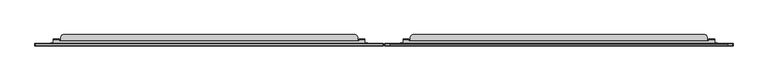
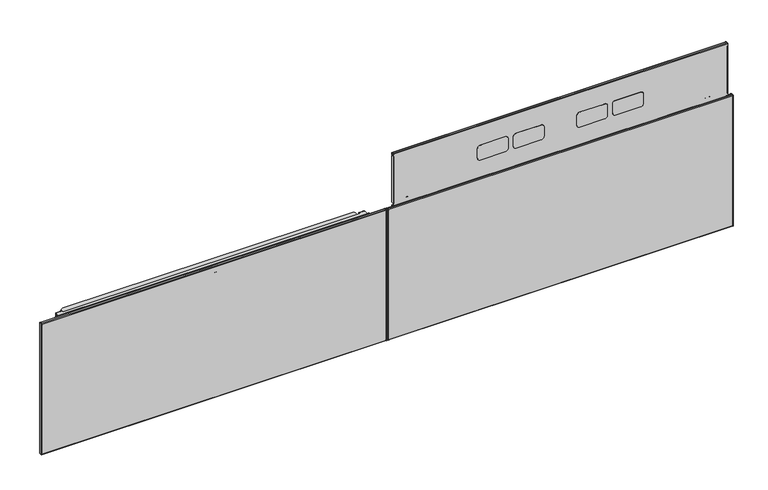
"""IFC4 building model written with IfcOpenShell, lengths in millimetres: furniture geometry."""

from ifc_helpers import new_model, si_unit, point, frame, frame_2d, origin, place, context, project, spatial, polyline, circle_curve, trimmed, segment, composite_curve, outline, extrude, source, transform, mapped, element, save
from ifc_brep_helpers import plane_surface, cylinder_surface, revolved_surface, advanced_brep


def furniture_ecbc6303(model_context):
    return source(origin(), model_context, "Body", "SolidModel", [
        extrude(outline(polyline([(1847.6214166, -3.2751401), (1841.7540058, -3.2751401), (1840.9919884, -3.4793172), (1840.4341736, -4.0371399), (1840.2300073, -4.7991398), (1840.2300073, -6.1239397), (1839.8250538, -7.6352397), (1838.7186896, -8.7415885), (1837.2074083, -9.1465398), (1820.4082399, -9.1465398), (1818.8969586, -8.7415885), (1817.7905945, -7.6352397), (1817.385641, -6.1239397), (1817.385641, -4.7991398), (1817.1814747, -4.0371399), (1816.6236599, -3.4793172), (1815.8616425, -3.2751401), (1809.9942317, -3.2751401), (1809.9942317, -1.77654), (1815.8616425, -1.77654), (1817.3729601, -2.1814916), (1818.4792879, -3.28784), (1818.8842414, -4.7991398), (1818.8842414, -6.1239397), (1819.0884077, -6.8859401), (1819.6462588, -7.4437628), (1820.4082399, -7.6479399), (1837.2074083, -7.6479399), (1837.9693894, -7.4437628), (1838.5272406, -6.8859401), (1838.7314069, -6.1239397), (1838.7314069, -4.7991398), (1839.1363604, -3.28784), (1840.2426882, -2.1814916), (1841.7540058, -1.77654), (1847.6214166, -1.77654), (1847.6214166, -3.2751401)])), frame((0.0, 0.0, 13.511849), z_axis=(0.0, 0.0, 1.0), x_axis=(1.0, 0.0, 0.0)), (0.0, 0.0, 1.0), 465.0000042),
        extrude(outline(composite_curve([segment(polyline([(-2.8205708, 12.9809891), (-10.0583999, 12.9809891), (-10.0583999, 500.6190067), (-2.6612792, 500.6190067)]), True, "CONTINUOUS"), segment(trimmed(circle_curve(frame_2d((-2.6612792, 498.4911276)), 2.1278792), [point((-2.6612792, 500.6190067))], [point((-0.5334, 498.4911276))], False, "CARTESIAN"), True, "CONTINUOUS"), segment(polyline([(-0.5334, 498.4911276), (-0.5334, 15.2681599)]), True, "CONTINUOUS"), segment(trimmed(circle_curve(frame_2d((-2.8205708, 15.2681599)), 2.2871708), [point((-0.5334, 15.2681599))], [point((-2.8205708, 12.9809891))], False, "CARTESIAN"), True, "CONTINUOUS")], self_intersect=False)), frame((1221.2000233, 0.0, 0.0), z_axis=(1.0, 0.0, 0.0), x_axis=(0.0, 1.0, 0.0)), (0.0, 0.0, 1.0), 0.9274807),
        extrude(outline(composite_curve([segment(polyline([(-2.8205708, 12.9809891), (-10.0583999, 12.9809891), (-10.0583999, 500.6190067), (-2.6612792, 500.6190067)]), True, "CONTINUOUS"), segment(trimmed(circle_curve(frame_2d((-2.6612792, 498.4911276)), 2.1278792), [point((-2.6612792, 500.6190067))], [point((-0.5334, 498.4911276))], False, "CARTESIAN"), True, "CONTINUOUS"), segment(polyline([(-0.5334, 498.4911276), (-0.5334, 15.2681599)]), True, "CONTINUOUS"), segment(trimmed(circle_curve(frame_2d((-2.8205708, 15.2681599)), 2.2871708), [point((-0.5334, 15.2681599))], [point((-2.8205708, 12.9809891))], False, "CARTESIAN"), True, "CONTINUOUS")], self_intersect=False)), frame((2435.4881443, 0.0, 0.0), z_axis=(1.0, 0.0, 0.0), x_axis=(0.0, 1.0, 0.0)), (0.0, 0.0, 1.0), 0.9118601),
        extrude(outline(polyline([(76.8619872, 1222.127504), (76.8619872, 1234.249019), (156.5539797, 1234.249019), (156.5539797, 1228.6600188), (207.099986, 1228.6600188), (207.099986, 1234.249019), (437.5000033, 1234.249019), (437.5000033, 1222.127504), (76.8619872, 1222.127504)])), frame((0.0, -1.62433, 0.0), z_axis=(0.0, 1.0, 0.0), x_axis=(0.0, 0.0, 1.0)), (0.0, 0.0, 1.0), 0.7986162),
        extrude(outline(polyline([(76.8619872, 2435.4881443), (437.5000033, 2435.4881443), (437.5000033, 2425.3510043), (207.099986, 2425.3510043), (207.099986, 2430.9400044), (156.5539797, 2430.9400044), (156.5539797, 2425.3510043), (76.8619872, 2425.3510043), (76.8619872, 2435.4881443)])), frame((0.0, -1.62433, 0.0), z_axis=(0.0, 1.0, 0.0), x_axis=(0.0, 0.0, 1.0)), (0.0, 0.0, 1.0), 0.7986162),
        extrude(outline(composite_curve([segment(trimmed(circle_curve(frame_2d((-2.8131195, 498.7202595)), 2.2797196), [point((-2.8131195, 500.9999791))], [point((-0.5334, 498.7202595))], False, "CARTESIAN"), True, "CONTINUOUS"), segment(polyline([(-0.5334, 498.7202595), (-0.5334, 486.0902061), (-1.44526, 486.0902061), (-1.44526, 498.7756083)]), True, "CONTINUOUS"), segment(trimmed(circle_curve(frame_2d((-2.7577679, 498.7756083)), 1.3125079), [point((-1.44526, 498.7756083))], [point((-2.7577679, 500.0881162))], True, "CARTESIAN"), True, "CONTINUOUS"), segment(polyline([(-2.7577679, 500.0881162), (-7.8778208, 500.0881162)]), True, "CONTINUOUS"), segment(trimmed(circle_curve(frame_2d((-7.8778208, 498.8193972)), 1.2687189), [point((-7.8778208, 500.0881162))], [point((-9.1465398, 498.8193972))], True, "CARTESIAN"), True, "CONTINUOUS"), segment(polyline([(-9.1465398, 498.8193972), (-9.1465398, 14.9389212)]), True, "CONTINUOUS"), segment(trimmed(circle_curve(frame_2d((-7.7194675, 14.9389212)), 1.4270722), [point((-9.1465398, 14.9389212))], [point((-7.7194675, 13.511849))], True, "CARTESIAN"), True, "CONTINUOUS"), segment(polyline([(-7.7194675, 13.511849), (-2.7776146, 13.511849)]), True, "CONTINUOUS"), segment(trimmed(circle_curve(frame_2d((-2.7776146, 14.8442036)), 1.3323546), [point((-2.7776146, 13.511849))], [point((-1.44526, 14.8442036))], True, "CARTESIAN"), True, "CONTINUOUS"), segment(polyline([(-1.44526, 14.8442036), (-1.44526, 24.5989482), (-0.5334, 24.5989482), (-0.5334, 14.8055187)]), True, "CONTINUOUS"), segment(trimmed(circle_curve(frame_2d((-2.7389292, 14.8055187)), 2.2055292), [point((-0.5334, 14.8055187))], [point((-2.7389292, 12.5999894))], False, "CARTESIAN"), True, "CONTINUOUS"), segment(polyline([(-2.7389292, 12.5999894), (-7.949738, 12.5999894)]), True, "CONTINUOUS"), segment(trimmed(circle_curve(frame_2d((-7.949738, 14.7086513)), 2.1086618), [point((-7.949738, 12.5999894))], [point((-10.0583999, 14.7086513))], False, "CARTESIAN"), True, "CONTINUOUS"), segment(polyline([(-10.0583999, 14.7086513), (-10.0583999, 498.8134963)]), True, "CONTINUOUS"), segment(trimmed(circle_curve(frame_2d((-7.8719171, 498.8134963)), 2.1864828), [point((-10.0583999, 498.8134963))], [point((-7.8719171, 500.9999791))], False, "CARTESIAN"), True, "CONTINUOUS"), segment(polyline([(-7.8719171, 500.9999791), (-2.8131195, 500.9999791)]), True, "CONTINUOUS")], self_intersect=False)), frame((1222.127504, 0.0, 0.0), z_axis=(1.0, 0.0, 0.0), x_axis=(0.0, 1.0, 0.0)), (0.0, 0.0, 1.0), 1213.3606403),
        advanced_brep(
        [(1285.5614149, 14.1265997, 484.7619804), (1285.5614149, 14.1265997, 502.380488), (1285.5614149, 12.5546846, 503.9524031), (1285.5614149, -2.0802599, 503.9524031), (1285.5614149, -2.0802599, 504.7619951), (1285.5614149, 12.9455677, 504.7619951), (1285.5614149, 14.9858193, 502.7217435), (1285.5614149, 14.9858193, 484.7619804), (2372.0385987, 14.1265997, 484.7619804), (2372.0385987, 14.9858193, 484.7619804), (2372.0385987, 14.9858193, 502.7217435), (2372.0385987, 12.9455677, 504.7619951), (2372.0385987, -2.0802599, 504.7619951), (2372.0385987, -2.0802599, 503.9524031), (2372.0385987, 12.5546846, 503.9524031), (2372.0385987, 14.1265997, 502.380488), (2352.0385977, 14.1265997, 484.7619804), (2352.0385977, 14.9858193, 484.7619804), (1305.5614296, 14.9858193, 484.7619804), (1305.5614296, 14.1265997, 484.7619804), (2352.0385977, 14.9858193, 502.7217435), (1305.5614296, 14.9858193, 502.7217435), (2352.0385977, 12.9455677, 504.7619951), (1305.5614296, 12.9455677, 504.7619951), (2352.0385977, 6.8866, 504.7619951), (1305.5614296, 6.8866, 504.7619951), (1305.5614296, 12.5546846, 503.9524031), (1305.5614296, 6.8866, 503.9524031), (2352.0385977, 6.8866, 503.9524031), (2352.0385977, 12.5546846, 503.9524031), (2352.0385977, 14.1265997, 502.380488), (1305.5614296, 14.1265997, 502.380488)],
        [
            (0, 1),
            (1, 2, circle_curve(frame((1285.5614149, 12.5546846, 502.380488), z_axis=(1.0, 0.0, 0.0), x_axis=(0.0, 1.0, 0.0)), 1.571915)),
            (2, 3),
            (3, 4),
            (4, 5),
            (5, 6, circle_curve(frame((1285.5614149, 12.9455677, 502.7217435), z_axis=(-1.0, 0.0, 0.0), x_axis=(0.0, 1.0, 0.0)), 2.0402516)),
            (6, 7),
            (7, 0),
            (8, 9),
            (9, 10),
            (10, 11, circle_curve(frame((2372.0385987, 12.9455677, 502.7217435), z_axis=(1.0, 0.0, 0.0), x_axis=(0.0, 1.0, 0.0)), 2.0402516)),
            (11, 12),
            (12, 13),
            (13, 14),
            (14, 15, circle_curve(frame((2372.0385987, 12.5546846, 502.380488), z_axis=(-1.0, 0.0, 0.0), x_axis=(0.0, 1.0, 0.0)), 1.571915)),
            (15, 8),
            (8, 16),
            (16, 17),
            (17, 9),
            (7, 18),
            (18, 19),
            (19, 0),
            (17, 20),
            (20, 10),
            (6, 21),
            (21, 18),
            (20, 22, circle_curve(frame((2352.0385977, 12.9455677, 502.7217435), z_axis=(1.0, 0.0, 0.0), x_axis=(0.0, 1.0, 0.0)), 2.0402516)),
            (22, 11),
            (5, 23),
            (23, 21, circle_curve(frame((1305.5614296, 12.9455677, 502.7217435), z_axis=(-1.0, 0.0, 0.0), x_axis=(0.0, 1.0, 0.0)), 2.0402516)),
            (4, 12),
            (22, 24),
            (24, 25),
            (25, 23),
            (3, 13),
            (2, 26),
            (26, 27),
            (27, 28),
            (28, 29),
            (29, 14),
            (29, 30, circle_curve(frame((2352.0385977, 12.5546846, 502.380488), z_axis=(-1.0, 0.0, 0.0), x_axis=(0.0, 1.0, 0.0)), 1.571915)),
            (30, 15),
            (1, 31),
            (31, 26, circle_curve(frame((1305.5614296, 12.5546846, 502.380488), z_axis=(1.0, 0.0, 0.0), x_axis=(0.0, 1.0, 0.0)), 1.571915)),
            (19, 31),
            (30, 16),
            (27, 25),
            (24, 28),
        ],
        [
            plane_surface(frame((1285.5614149, 14.1265997, 484.7619804), z_axis=(-1.0, 0.0, 0.0), x_axis=(0.0, 1.0, 0.0))),
            plane_surface(frame((2372.0385987, 14.1265997, 484.7619804), z_axis=(1.0, 0.0, 0.0), x_axis=(0.0, -1.0, 0.0))),
            plane_surface(frame((1285.5614149, 14.1265997, 484.7619804), z_axis=(0.0, 0.0, -1.0), x_axis=(1.0, 0.0, 0.0))),
            plane_surface(frame((1285.5614149, 14.9858193, 484.7619804), z_axis=(0.0, 1.0, 0.0), x_axis=(1.0, 0.0, 0.0))),
            cylinder_surface(frame((2372.0385987, 12.9455677, 502.7217435), z_axis=(-1.0, 0.0, 0.0), x_axis=(0.0, 1.0, 0.0)), 2.0402516),
            plane_surface(frame((1285.5614149, 12.9455677, 504.7619951), z_axis=(0.0, 0.0, 1.0), x_axis=(1.0, 0.0, 0.0))),
            plane_surface(frame((1285.5614149, -2.0802599, 504.7619951), z_axis=(0.0, -1.0, 0.0), x_axis=(1.0, 0.0, 0.0))),
            plane_surface(frame((1285.5614149, -2.0802599, 503.9524031), z_axis=(0.0, 0.0, -1.0), x_axis=(1.0, 0.0, 0.0))),
            revolved_surface(polyline([(2372.0385987, 14.1265996, 502.380488), (2352.0385977, 14.1265996, 502.380488)]), (2372.0385987, 12.5546846, 502.380488), (1.0, 0.0, 0.0)),
            revolved_surface(polyline([(1305.5614296, 14.1265996, 502.380488), (1285.5614149, 14.1265996, 502.380488)]), (2372.0385987, 12.5546846, 502.380488), (1.0, 0.0, 0.0)),
            plane_surface(frame((1285.5614149, 14.1265997, 502.380488), z_axis=(0.0, -1.0, 0.0), x_axis=(1.0, 0.0, 0.0))),
            plane_surface(frame((2352.0385977, 6.8866, 504.7619951), z_axis=(0.0, 1.0, 0.0), x_axis=(0.0, 0.0, -1.0))),
            plane_surface(frame((1305.5614296, 6.8866, 504.7619951), z_axis=(1.0, 0.0, 0.0), x_axis=(0.0, 0.0, -1.0))),
            plane_surface(frame((2352.0385977, 14.9858193, 504.7619951), z_axis=(-1.0, 0.0, 0.0), x_axis=(0.0, 0.0, -1.0))),
        ],
        [
            (0, [[1, 2, 3, 4, 5, 6, 7, 8]]),
            (1, [[9, 10, 11, 12, 13, 14, 15, 16]]),
            (2, [[17, 18, 19, -9]]),
            (2, [[20, 21, 22, -8]]),
            (3, [[-19, 23, 24, -10]]),
            (3, [[25, 26, -20, -7]]),
            (4, [[-24, 27, 28, -11]]),
            (4, [[29, 30, -25, -6]]),
            (5, [[31, -12, -28, 32, 33, 34, -29, -5]]),
            (6, [[35, -13, -31, -4]]),
            (7, [[36, 37, 38, 39, 40, -14, -35, -3]]),
            (8, [[-40, 41, 42, -15]]),
            (9, [[43, 44, -36, -2]]),
            (10, [[-22, 45, -43, -1]]),
            (10, [[-42, 46, -17, -16]]),
            (11, [[-38, 47, -33, 48]]),
            (12, [[-37, -44, -45, -21, -26, -30, -34, -47]]),
            (13, [[-32, -27, -23, -18, -46, -41, -39, -48]]),
        ],
    ),
        advanced_brep(
        [(1276.411392, 0.3766, 481.0000008), (1276.411392, -0.5334, 481.0000008), (1276.411392, -0.5334, 499.164291), (1276.411392, 0.8833113, 500.9515261), (1276.411392, 0.8833113, 500.0149173), (1276.411392, 0.3766, 499.2323507), (2381.2000031, -0.5334, 481.0000008), (2381.2000031, -0.00254, 481.0000008), (2381.2000031, -0.00254, 500.4554821), (2381.2000031, -0.5334, 499.164291), (2372.0385987, 0.3766, 499.2323507), (2372.0385987, 0.3766, 481.0000008), (1287.5614154, 0.8833113, 500.0149173), (1287.5614154, 1.2342549, 500.0900056), (2372.0385987, 1.2342549, 500.0900056), (2346.1886005, 21.4666006, 500.0900056), (2346.1886005, 6.8866, 500.0900056), (2372.0385987, 6.8866, 500.0900056), (1287.5614154, 6.8866, 500.0900056), (1311.32782, 6.8866, 500.0900056), (1311.32782, 21.4666006, 500.0900056), (1312.3996205, 25.4665995, 500.0900056), (1315.3278211, 28.3948024, 500.0900056), (1319.3278222, 29.4666006, 500.0900056), (2338.1885982, 29.4666006, 500.0900056), (2342.1885994, 28.3948024, 500.0900056), (2345.1168, 25.4665995, 500.0900056), (1319.3278222, 29.4666006, 500.9999791), (2338.1885982, 29.4666006, 500.9999791), (2345.1168, 25.4665995, 500.9999791), (2342.1885994, 28.3948024, 500.9999791), (1315.3278211, 28.3948024, 500.9999791), (1312.3996205, 25.4665995, 500.9999791), (1311.32782, 21.4666006, 500.9999791), (1311.32782, 6.8866, 500.9999791), (1287.5614154, 6.8866, 500.9999791), (1287.5614154, 1.3022882, 500.9999791), (2372.0385987, 1.3022882, 500.9999791), (2372.0385987, 6.8866, 500.9999791), (2346.1886005, 6.8866, 500.9999791), (2346.1886005, 21.4666006, 500.9999791), (2372.0385987, -0.00254, 500.4554821), (1287.5614154, 0.8833113, 500.9515261), (2372.0385987, -0.00254, 481.0000008)],
        [
            (0, 1),
            (1, 2),
            (2, 3, circle_curve(frame((1276.411392, 1.3022882, 499.164291), z_axis=(-1.0, 0.0, 0.0), x_axis=(0.0, 1.0, 0.0)), 1.8356882)),
            (3, 4),
            (4, 5, circle_curve(frame((1276.411392, 1.2342549, 499.2323507), z_axis=(1.0, 0.0, 0.0), x_axis=(0.0, 1.0, 0.0)), 0.8576549)),
            (5, 0),
            (6, 7),
            (7, 8),
            (8, 9, circle_curve(frame((2381.2000031, 1.3022882, 499.164291), z_axis=(1.0, 0.0, 0.0), x_axis=(0.0, 1.0, 0.0)), 1.8356882)),
            (9, 6),
            (5, 10),
            (10, 11),
            (11, 0),
            (4, 12),
            (12, 13, circle_curve(frame((1287.5614154, 1.2342549, 499.2323507), z_axis=(-1.0, 0.0, 0.0), x_axis=(0.0, 1.0, 0.0)), 0.8576549)),
            (13, 14),
            (14, 10, circle_curve(frame((2372.0385987, 1.2342549, 499.2323507), z_axis=(1.0, 0.0, 0.0), x_axis=(0.0, 1.0, 0.0)), 0.8576549)),
            (15, 16),
            (16, 17),
            (17, 14),
            (13, 18),
            (18, 19),
            (19, 20),
            (20, 21),
            (21, 22),
            (22, 23),
            (23, 24),
            (24, 25),
            (25, 26),
            (26, 15),
            (23, 27),
            (27, 28),
            (28, 24),
            (29, 30),
            (30, 28),
            (27, 31),
            (31, 32),
            (32, 33),
            (33, 34),
            (34, 35),
            (35, 36),
            (36, 37),
            (37, 38),
            (38, 39),
            (39, 40),
            (40, 29),
            (8, 41),
            (41, 37, circle_curve(frame((2372.0385987, 1.3022882, 499.164291), z_axis=(-1.0, 0.0, 0.0), x_axis=(0.0, 1.0, 0.0)), 1.8356882)),
            (36, 42, circle_curve(frame((1287.5614154, 1.3022882, 499.164291), z_axis=(1.0, 0.0, 0.0), x_axis=(0.0, 1.0, 0.0)), 1.8356882)),
            (42, 3),
            (2, 9),
            (1, 6),
            (11, 43),
            (43, 7),
            (26, 29),
            (40, 15),
            (25, 30),
            (43, 41),
            (17, 38),
            (16, 39),
            (20, 33),
            (32, 21),
            (31, 22),
            (42, 12),
            (35, 18),
            (34, 19),
        ],
        [
            plane_surface(frame((1276.411392, 0.3766, 494.4355179), z_axis=(-1.0, 0.0, 0.0), x_axis=(0.0, 0.0, 1.0))),
            plane_surface(frame((2381.2000031, 0.3766, 494.4355179), z_axis=(1.0, 0.0, 0.0), x_axis=(0.0, 0.0, -1.0))),
            plane_surface(frame((1276.411392, 0.3766, 481.0000008), z_axis=(0.0, 1.0, 0.0), x_axis=(1.0, 0.0, 0.0))),
            revolved_surface(polyline([(2372.0385987, 2.0919098, 499.2323507), (1276.411392, 2.0919098, 499.2323507)]), (2381.2000031, 1.2342549, 499.2323507), (1.0, 0.0, 0.0)),
            plane_surface(frame((1276.411392, 1.2342549, 500.0900056), z_axis=(0.0, 0.0, -1.0), x_axis=(1.0, 0.0, 0.0))),
            plane_surface(frame((1276.411392, 29.4666006, 500.0900056), z_axis=(0.0, 1.0, 0.0), x_axis=(1.0, 0.0, 0.0))),
            plane_surface(frame((1276.411392, 29.4666006, 500.9999791), z_axis=(0.0, 0.0, 1.0), x_axis=(1.0, 0.0, 0.0))),
            cylinder_surface(frame((2381.2000031, 1.3022882, 499.164291), z_axis=(-1.0, 0.0, 0.0), x_axis=(0.0, 1.0, 0.0)), 1.8356882),
            plane_surface(frame((1276.411392, -0.5334, 499.164291), z_axis=(0.0, -1.0, 0.0), x_axis=(1.0, 0.0, 0.0))),
            plane_surface(frame((1276.411392, -0.5334, 481.0000008), z_axis=(0.0, 0.0, -1.0), x_axis=(1.0, 0.0, 0.0))),
            plane_surface(frame((2346.1886005, 21.4666006, 533.1392388), z_axis=(0.9659255828324517, 0.2588199536932742, 0.0), x_axis=(0.0, 0.0, -1.0))),
            plane_surface(frame((2345.1168, 25.4665995, 533.1392388), z_axis=(0.707107055381215, 0.7071065069917737, 0.0), x_axis=(0.0, 0.0, -1.0))),
            plane_surface(frame((2342.1885994, 28.3948024, 533.1392388), z_axis=(0.25881930494190625, 0.9659257566652774, 0.0), x_axis=(0.0, 0.0, -1.0))),
            plane_surface(frame((2381.1885989, -0.00254, 533.1392388), z_axis=(0.0, 1.0, 0.0), x_axis=(0.0, 0.0, -1.0))),
            plane_surface(frame((2372.0385987, -0.00254, 533.1392388), z_axis=(1.0, 0.0, 0.0), x_axis=(0.0, 0.0, -1.0))),
            plane_surface(frame((2372.0385987, 6.8866, 533.1392388), z_axis=(0.0, 1.0, 0.0), x_axis=(0.0, 0.0, -1.0))),
            plane_surface(frame((2346.1886005, 6.8866, 533.1392388), z_axis=(1.0, 0.0, 0.0), x_axis=(0.0, 0.0, -1.0))),
            plane_surface(frame((1312.3996205, 25.4665995, 531.699196), z_axis=(-0.9659255828324518, 0.258819953693274, 0.0), x_axis=(0.0, 0.0, -1.0))),
            plane_surface(frame((1315.3278211, 28.3948024, 531.699196), z_axis=(-0.707107055381215, 0.7071065069917737, 0.0), x_axis=(0.0, 0.0, -1.0))),
            plane_surface(frame((1319.3278222, 29.4666006, 531.699196), z_axis=(-0.25881930494190625, 0.9659257566652774, 0.0), x_axis=(0.0, 0.0, -1.0))),
            plane_surface(frame((1287.5614154, 0.8833113, 531.699196), z_axis=(0.0, 1.0, 0.0), x_axis=(0.0, 0.0, -1.0))),
            plane_surface(frame((1287.5614154, 6.8866, 531.699196), z_axis=(-1.0, 0.0, 0.0), x_axis=(0.0, 0.0, -1.0))),
            plane_surface(frame((1311.32782, 6.8866, 531.699196), z_axis=(0.0, 1.0, 0.0), x_axis=(0.0, 0.0, -1.0))),
            plane_surface(frame((1311.32782, 21.4666006, 531.699196), z_axis=(-1.0, 0.0, 0.0), x_axis=(0.0, 0.0, -1.0))),
        ],
        [
            (0, [[1, 2, 3, 4, 5, 6]]),
            (1, [[7, 8, 9, 10]]),
            (2, [[11, 12, 13, -6]]),
            (3, [[-5, 14, 15, 16, 17, -11]]),
            (4, [[18, 19, 20, -16, 21, 22, 23, 24, 25, 26, 27, 28, 29, 30]]),
            (5, [[-27, 31, 32, 33]]),
            (6, [[34, 35, -32, 36, 37, 38, 39, 40, 41, 42, 43, 44, 45, 46]]),
            (7, [[-9, 47, 48, -42, 49, 50, -3, 51]]),
            (8, [[52, -10, -51, -2]]),
            (9, [[-13, 53, 54, -7, -52, -1]]),
            (10, [[-30, 55, -46, 56]]),
            (11, [[-29, 57, -34, -55]]),
            (12, [[-28, -33, -35, -57]]),
            (13, [[-47, -8, -54, 58]]),
            (14, [[-53, -12, -17, -20, 59, -43, -48, -58]]),
            (15, [[-19, 60, -44, -59]]),
            (16, [[-45, -60, -18, -56]]),
            (17, [[-24, 61, -38, 62]]),
            (18, [[-37, 63, -25, -62]]),
            (19, [[-36, -31, -26, -63]]),
            (20, [[-14, -4, -50, 64]]),
            (21, [[-49, -41, 65, -21, -15, -64]]),
            (22, [[-40, 66, -22, -65]]),
            (23, [[-39, -61, -23, -66]]),
        ],
    ),
        extrude(outline(composite_curve([segment(trimmed(circle_curve(frame_2d((616.0389877, 2110.6543456)), 9.9868524), [point((616.0389877, 2120.641198))], [point((626.0258401, 2110.6543456))], False, "CARTESIAN"), True, "CONTINUOUS"), segment(polyline([(626.0258401, 2110.6543456), (626.0258401, 2021.9967238)]), True, "CONTINUOUS"), segment(trimmed(circle_curve(frame_2d((616.7203082, 2021.9967238)), 9.3055319), [point((626.0258401, 2021.9967238))], [point((616.7203082, 2012.6911919))], False, "CARTESIAN"), True, "CONTINUOUS"), segment(polyline([(616.7203082, 2012.6911919), (580.9036446, 2012.6911919)]), True, "CONTINUOUS"), segment(trimmed(circle_curve(frame_2d((580.9036446, 2022.4330062)), 9.7418143), [point((580.9036446, 2012.6911919))], [point((571.1618302, 2022.4330062))], False, "CARTESIAN"), True, "CONTINUOUS"), segment(polyline([(571.1618302, 2022.4330062), (571.1618302, 2111.105977)]), True, "CONTINUOUS"), segment(trimmed(circle_curve(frame_2d((580.6970512, 2111.105977)), 9.535221), [point((571.1618302, 2111.105977))], [point((580.6970512, 2120.641198))], False, "CARTESIAN"), True, "CONTINUOUS"), segment(polyline([(580.6970512, 2120.641198), (616.0389877, 2120.641198)]), True, "CONTINUOUS")], self_intersect=False)), frame((0.0, -10.4020823, 0.0), z_axis=(0.0, 1.0, 0.0), x_axis=(0.0, 0.0, 1.0)), (0.0, 0.0, 1.0), 0.2886826),
        extrude(outline(composite_curve([segment(trimmed(circle_curve(frame_2d((616.0389877, 1984.3655425)), 9.9868524), [point((616.0389877, 1994.3523949))], [point((626.0258401, 1984.3655425))], False, "CARTESIAN"), True, "CONTINUOUS"), segment(polyline([(626.0258401, 1984.3655425), (626.0258401, 1895.7079389)]), True, "CONTINUOUS"), segment(trimmed(circle_curve(frame_2d((616.7203082, 1895.7079389)), 9.3055319), [point((626.0258401, 1895.7079389))], [point((616.7203082, 1886.402407))], False, "CARTESIAN"), True, "CONTINUOUS"), segment(polyline([(616.7203082, 1886.402407), (580.9036446, 1886.402407)]), True, "CONTINUOUS"), segment(trimmed(circle_curve(frame_2d((580.9036446, 1896.1442213)), 9.7418143), [point((580.9036446, 1886.402407))], [point((571.1618302, 1896.1442213))], False, "CARTESIAN"), True, "CONTINUOUS"), segment(polyline([(571.1618302, 1896.1442213), (571.1618302, 1984.8171739)]), True, "CONTINUOUS"), segment(trimmed(circle_curve(frame_2d((580.6970512, 1984.8171739)), 9.535221), [point((571.1618302, 1984.8171739))], [point((580.6970512, 1994.3523949))], False, "CARTESIAN"), True, "CONTINUOUS"), segment(polyline([(580.6970512, 1994.3523949), (616.0389877, 1994.3523949)]), True, "CONTINUOUS")], self_intersect=False)), frame((0.0, -10.4020823, 0.0), z_axis=(0.0, 1.0, 0.0), x_axis=(0.0, 0.0, 1.0)), (0.0, 0.0, 1.0), 0.2886826),
        extrude(outline(composite_curve([segment(trimmed(circle_curve(frame_2d((616.0389877, 1761.0279514)), 9.9868524), [point((616.0389877, 1771.0148038))], [point((626.0258401, 1761.0279514))], False, "CARTESIAN"), True, "CONTINUOUS"), segment(polyline([(626.0258401, 1761.0279514), (626.0258401, 1672.3703478)]), True, "CONTINUOUS"), segment(trimmed(circle_curve(frame_2d((616.7203082, 1672.3703478)), 9.3055319), [point((626.0258401, 1672.3703478))], [point((616.7203082, 1663.0648159))], False, "CARTESIAN"), True, "CONTINUOUS"), segment(polyline([(616.7203082, 1663.0648159), (580.9036446, 1663.0648159)]), True, "CONTINUOUS"), segment(trimmed(circle_curve(frame_2d((580.9036446, 1672.8066302)), 9.7418143), [point((580.9036446, 1663.0648159))], [point((571.1618302, 1672.8066302))], False, "CARTESIAN"), True, "CONTINUOUS"), segment(polyline([(571.1618302, 1672.8066302), (571.1618302, 1761.4795828)]), True, "CONTINUOUS"), segment(trimmed(circle_curve(frame_2d((580.6970512, 1761.4795828)), 9.535221), [point((571.1618302, 1761.4795828))], [point((580.6970512, 1771.0148038))], False, "CARTESIAN"), True, "CONTINUOUS"), segment(polyline([(580.6970512, 1771.0148038), (616.0389877, 1771.0148038)]), True, "CONTINUOUS")], self_intersect=False)), frame((0.0, -10.4020823, 0.0), z_axis=(0.0, 1.0, 0.0), x_axis=(0.0, 0.0, 1.0)), (0.0, 0.0, 1.0), 0.2886826),
        extrude(outline(composite_curve([segment(trimmed(circle_curve(frame_2d((616.0389877, 1634.7391665)), 9.9868524), [point((616.0389877, 1644.7260189))], [point((626.0258401, 1634.7391665))], False, "CARTESIAN"), True, "CONTINUOUS"), segment(polyline([(626.0258401, 1634.7391665), (626.0258401, 1546.0815447)]), True, "CONTINUOUS"), segment(trimmed(circle_curve(frame_2d((616.7203082, 1546.0815447)), 9.3055319), [point((626.0258401, 1546.0815447))], [point((616.7203082, 1536.7760128))], False, "CARTESIAN"), True, "CONTINUOUS"), segment(polyline([(616.7203082, 1536.7760128), (580.9036446, 1536.7760128)]), True, "CONTINUOUS"), segment(trimmed(circle_curve(frame_2d((580.9036446, 1546.5178271)), 9.7418143), [point((580.9036446, 1536.7760128))], [point((571.1618302, 1546.5178271))], False, "CARTESIAN"), True, "CONTINUOUS"), segment(polyline([(571.1618302, 1546.5178271), (571.1618302, 1635.1907979)]), True, "CONTINUOUS"), segment(trimmed(circle_curve(frame_2d((580.6970512, 1635.1907979)), 9.535221), [point((571.1618302, 1635.1907979))], [point((580.6970512, 1644.7260189))], False, "CARTESIAN"), True, "CONTINUOUS"), segment(polyline([(580.6970512, 1644.7260189), (616.0389877, 1644.7260189)]), True, "CONTINUOUS")], self_intersect=False)), frame((0.0, -10.4020823, 0.0), z_axis=(0.0, 1.0, 0.0), x_axis=(0.0, 0.0, 1.0)), (0.0, 0.0, 1.0), 0.2886826),
        extrude(outline(composite_curve([segment(trimmed(circle_curve(frame_2d((-3.7291712, 686.8262094)), 3.1957713), [point((-3.7291712, 690.0219807))], [point((-0.5334, 686.8262094))], False, "CARTESIAN"), True, "CONTINUOUS"), segment(polyline([(-0.5334, 686.8262094), (-0.5334, 518.3179711)]), True, "CONTINUOUS"), segment(trimmed(circle_curve(frame_2d((-3.8693602, 518.3179711)), 3.3359602), [point((-0.5334, 518.3179711))], [point((-3.8693602, 514.9820108))], False, "CARTESIAN"), True, "CONTINUOUS"), segment(polyline([(-3.8693602, 514.9820108), (-10.1133997, 514.9820108), (-10.1133997, 690.0219807), (-3.7291712, 690.0219807)]), True, "CONTINUOUS")], self_intersect=False)), frame((1240.5614, 0.0, 0.0), z_axis=(1.0, 0.0, 0.0), x_axis=(0.0, 1.0, 0.0)), (0.0, 0.0, 1.0), 0.8160839),
        extrude(outline(composite_curve([segment(trimmed(circle_curve(frame_2d((-3.7291712, 686.8262094)), 3.1957713), [point((-3.7291712, 690.0219807))], [point((-0.5334, 686.8262094))], False, "CARTESIAN"), True, "CONTINUOUS"), segment(polyline([(-0.5334, 686.8262094), (-0.5334, 518.3179711)]), True, "CONTINUOUS"), segment(trimmed(circle_curve(frame_2d((-3.8693602, 518.3179711)), 3.3359602), [point((-0.5334, 518.3179711))], [point((-3.8693602, 514.9820108))], False, "CARTESIAN"), True, "CONTINUOUS"), segment(polyline([(-3.8693602, 514.9820108), (-10.1133997, 514.9820108), (-10.1133997, 690.0219807), (-3.7291712, 690.0219807)]), True, "CONTINUOUS")], self_intersect=False)), frame((2416.2225047, 0.0, 0.0), z_axis=(1.0, 0.0, 0.0), x_axis=(0.0, 1.0, 0.0)), (0.0, 0.0, 1.0), 0.8160953),
        extrude(outline(composite_curve([segment(trimmed(circle_curve(frame_2d((-8.0812247, 505.9349516)), 1.1729565), [point((-9.2541812, 505.9349516))], [point((-8.0812247, 504.7619951))], True, "CARTESIAN"), True, "CONTINUOUS"), segment(polyline([(-8.0812247, 504.7619951), (-2.0802599, 504.7619951), (-2.0802599, 503.9524031), (-7.8210029, 503.9524031)]), True, "CONTINUOUS"), segment(trimmed(circle_curve(frame_2d((-7.8210029, 506.2447998)), 2.2923967), [point((-7.8210029, 503.9524031))], [point((-10.1133997, 506.2447998))], False, "CARTESIAN"), True, "CONTINUOUS"), segment(polyline([(-10.1133997, 506.2447998), (-10.1133997, 698.9356498)]), True, "CONTINUOUS"), segment(trimmed(circle_curve(frame_2d((-8.0470704, 698.9356498)), 2.0663293), [point((-10.1133997, 698.9356498))], [point((-8.0470704, 701.0019791))], False, "CARTESIAN"), True, "CONTINUOUS"), segment(polyline([(-8.0470704, 701.0019791), (-2.6421502, 701.0019791)]), True, "CONTINUOUS"), segment(trimmed(circle_curve(frame_2d((-2.6421502, 698.8591335)), 2.1428456), [point((-2.6421502, 701.0019791))], [point((-0.4993046, 698.8591335))], False, "CARTESIAN"), True, "CONTINUOUS"), segment(polyline([(-0.4993046, 698.8591335), (-0.4993046, 693.0032856), (-1.2934, 693.0032856), (-1.2934, 698.9068456)]), True, "CONTINUOUS"), segment(trimmed(circle_curve(frame_2d((-2.6285508, 698.9068456)), 1.3351508), [point((-1.2934, 698.9068456))], [point((-2.6285508, 700.2419964))], True, "CARTESIAN"), True, "CONTINUOUS"), segment(polyline([(-2.6285508, 700.2419964), (-7.9847197, 700.2419964)]), True, "CONTINUOUS"), segment(trimmed(circle_curve(frame_2d((-7.9847197, 698.9725349)), 1.2694615), [point((-7.9847197, 700.2419964))], [point((-9.2541812, 698.9725349))], True, "CARTESIAN"), True, "CONTINUOUS"), segment(polyline([(-9.2541812, 698.9725349), (-9.2541812, 505.9349516)]), True, "CONTINUOUS")], self_intersect=False)), frame((1240.5614, 0.0, 0.0), z_axis=(1.0, 0.0, 0.0), x_axis=(0.0, 1.0, 0.0)), (0.0, 0.0, 1.0), 1176.4772),
        extrude(outline(polyline([(590.7785834, -3.2751401), (590.7785834, -1.77654), (596.6459942, -1.77654), (598.1573118, -2.1814916), (599.2636396, -3.28784), (599.6685931, -4.7991398), (599.6685931, -6.1239397), (599.8727594, -6.8859401), (600.4306106, -7.4437628), (601.1925917, -7.6479399), (617.9917601, -7.6479399), (618.7537412, -7.4437628), (619.3115923, -6.8859401), (619.5157586, -6.1239397), (619.5157586, -4.7991398), (619.9207121, -3.28784), (621.0270399, -2.1814916), (622.5383575, -1.77654), (628.4057683, -1.77654), (628.4057683, -3.2751401), (622.5383575, -3.2751401), (621.7763401, -3.4793172), (621.2185253, -4.0371399), (621.014359, -4.7991398), (621.014359, -6.1239397), (620.6094055, -7.6352397), (619.5030414, -8.7415885), (617.9917601, -9.1465398), (601.1925917, -9.1465398), (599.6813104, -8.7415885), (598.5749462, -7.6352397), (598.1699927, -6.1239397), (598.1699927, -4.7991398), (597.9658264, -4.0371399), (597.4080116, -3.4793172), (596.6459942, -3.2751401), (590.7785834, -3.2751401)])), frame((0.0, 0.0, 13.511849), z_axis=(0.0, 0.0, 1.0), x_axis=(1.0, 0.0, 0.0)), (0.0, 0.0, 1.0), 465.0000042),
        extrude(outline(composite_curve([segment(polyline([(-2.8205708, 12.9809891), (-10.0583999, 12.9809891), (-10.0583999, 500.6190067), (-2.6612792, 500.6190067)]), True, "CONTINUOUS"), segment(trimmed(circle_curve(frame_2d((-2.6612792, 498.4911276)), 2.1278792), [point((-2.6612792, 500.6190067))], [point((-0.5334, 498.4911276))], False, "CARTESIAN"), True, "CONTINUOUS"), segment(polyline([(-0.5334, 498.4911276), (-0.5334, 15.2681599)]), True, "CONTINUOUS"), segment(trimmed(circle_curve(frame_2d((-2.8205708, 15.2681599)), 2.2871708), [point((-0.5334, 15.2681599))], [point((-2.8205708, 12.9809891))], False, "CARTESIAN"), True, "CONTINUOUS")], self_intersect=False)), frame((1216.272496, 0.0, 0.0), z_axis=(1.0, 0.0, 0.0), x_axis=(0.0, 1.0, 0.0)), (0.0, 0.0, 1.0), 0.9274807),
        extrude(outline(composite_curve([segment(polyline([(-2.8205708, 12.9809891), (-10.0583999, 12.9809891), (-10.0583999, 500.6190067), (-2.6612792, 500.6190067)]), True, "CONTINUOUS"), segment(trimmed(circle_curve(frame_2d((-2.6612792, 498.4911276)), 2.1278792), [point((-2.6612792, 500.6190067))], [point((-0.5334, 498.4911276))], False, "CARTESIAN"), True, "CONTINUOUS"), segment(polyline([(-0.5334, 498.4911276), (-0.5334, 15.2681599)]), True, "CONTINUOUS"), segment(trimmed(circle_curve(frame_2d((-2.8205708, 15.2681599)), 2.2871708), [point((-0.5334, 15.2681599))], [point((-2.8205708, 12.9809891))], False, "CARTESIAN"), True, "CONTINUOUS")], self_intersect=False)), frame((1.9999956, 0.0, 0.0), z_axis=(1.0, 0.0, 0.0), x_axis=(0.0, 1.0, 0.0)), (0.0, 0.0, 1.0), 0.9118601),
        extrude(outline(polyline([(76.8619872, 1216.272496), (437.5000033, 1216.272496), (437.5000033, 1204.150981), (207.099986, 1204.150981), (207.099986, 1209.7399812), (156.5539797, 1209.7399812), (156.5539797, 1204.150981), (76.8619872, 1204.150981), (76.8619872, 1216.272496)])), frame((0.0, -1.62433, 0.0), z_axis=(0.0, 1.0, 0.0), x_axis=(0.0, 0.0, 1.0)), (0.0, 0.0, 1.0), 0.7986162),
        extrude(outline(polyline([(76.8619872, 2.9118557), (76.8619872, 13.0489957), (156.5539797, 13.0489957), (156.5539797, 7.4599956), (207.099986, 7.4599956), (207.099986, 13.0489957), (437.5000033, 13.0489957), (437.5000033, 2.9118557), (76.8619872, 2.9118557)])), frame((0.0, -1.62433, 0.0), z_axis=(0.0, 1.0, 0.0), x_axis=(0.0, 0.0, 1.0)), (0.0, 0.0, 1.0), 0.7986162),
        extrude(outline(composite_curve([segment(trimmed(circle_curve(frame_2d((-2.8131195, 498.7202595)), 2.2797196), [point((-2.8131195, 500.9999791))], [point((-0.5334, 498.7202595))], False, "CARTESIAN"), True, "CONTINUOUS"), segment(polyline([(-0.5334, 498.7202595), (-0.5334, 486.0902061), (-1.44526, 486.0902061), (-1.44526, 498.7756083)]), True, "CONTINUOUS"), segment(trimmed(circle_curve(frame_2d((-2.7577679, 498.7756083)), 1.3125079), [point((-1.44526, 498.7756083))], [point((-2.7577679, 500.0881162))], True, "CARTESIAN"), True, "CONTINUOUS"), segment(polyline([(-2.7577679, 500.0881162), (-7.8778208, 500.0881162)]), True, "CONTINUOUS"), segment(trimmed(circle_curve(frame_2d((-7.8778208, 498.8193972)), 1.2687189), [point((-7.8778208, 500.0881162))], [point((-9.1465398, 498.8193972))], True, "CARTESIAN"), True, "CONTINUOUS"), segment(polyline([(-9.1465398, 498.8193972), (-9.1465398, 14.9389212)]), True, "CONTINUOUS"), segment(trimmed(circle_curve(frame_2d((-7.7194675, 14.9389212)), 1.4270722), [point((-9.1465398, 14.9389212))], [point((-7.7194675, 13.511849))], True, "CARTESIAN"), True, "CONTINUOUS"), segment(polyline([(-7.7194675, 13.511849), (-2.7776146, 13.511849)]), True, "CONTINUOUS"), segment(trimmed(circle_curve(frame_2d((-2.7776146, 14.8442036)), 1.3323546), [point((-2.7776146, 13.511849))], [point((-1.44526, 14.8442036))], True, "CARTESIAN"), True, "CONTINUOUS"), segment(polyline([(-1.44526, 14.8442036), (-1.44526, 24.5989482), (-0.5334, 24.5989482), (-0.5334, 14.8055187)]), True, "CONTINUOUS"), segment(trimmed(circle_curve(frame_2d((-2.7389292, 14.8055187)), 2.2055292), [point((-0.5334, 14.8055187))], [point((-2.7389292, 12.5999894))], False, "CARTESIAN"), True, "CONTINUOUS"), segment(polyline([(-2.7389292, 12.5999894), (-7.949738, 12.5999894)]), True, "CONTINUOUS"), segment(trimmed(circle_curve(frame_2d((-7.949738, 14.7086513)), 2.1086618), [point((-7.949738, 12.5999894))], [point((-10.0583999, 14.7086513))], False, "CARTESIAN"), True, "CONTINUOUS"), segment(polyline([(-10.0583999, 14.7086513), (-10.0583999, 498.8134963)]), True, "CONTINUOUS"), segment(trimmed(circle_curve(frame_2d((-7.8719171, 498.8134963)), 2.1864828), [point((-10.0583999, 498.8134963))], [point((-7.8719171, 500.9999791))], False, "CARTESIAN"), True, "CONTINUOUS"), segment(polyline([(-7.8719171, 500.9999791), (-2.8131195, 500.9999791)]), True, "CONTINUOUS")], self_intersect=False)), frame((2.9118557, 0.0, 0.0), z_axis=(1.0, 0.0, 0.0), x_axis=(0.0, 1.0, 0.0)), (0.0, 0.0, 1.0), 1213.3606403),
        advanced_brep(
        [(1152.8385851, 14.1265997, 484.7619804), (1152.8385851, 14.9858193, 484.7619804), (1152.8385851, 14.9858193, 502.7217435), (1152.8385851, 12.9455677, 504.7619951), (1152.8385851, -2.0802599, 504.7619951), (1152.8385851, -2.0802599, 503.9524031), (1152.8385851, 12.5546846, 503.9524031), (1152.8385851, 14.1265997, 502.380488), (66.3614013, 14.1265997, 484.7619804), (66.3614013, 14.1265997, 502.380488), (66.3614013, 12.5546846, 503.9524031), (66.3614013, -2.0802599, 503.9524031), (66.3614013, -2.0802599, 504.7619951), (66.3614013, 12.9455677, 504.7619951), (66.3614013, 14.9858193, 502.7217435), (66.3614013, 14.9858193, 484.7619804), (1132.8385704, 14.1265997, 484.7619804), (1132.8385704, 14.9858193, 484.7619804), (86.3614023, 14.9858193, 484.7619804), (86.3614023, 14.1265997, 484.7619804), (1132.8385704, 14.9858193, 502.7217435), (86.3614023, 14.9858193, 502.7217435), (1132.8385704, 12.9455677, 504.7619951), (86.3614023, 12.9455677, 504.7619951), (1132.8385704, 6.8866, 504.7619951), (86.3614023, 6.8866, 504.7619951), (86.3614023, 12.5546846, 503.9524031), (86.3614023, 6.8866, 503.9524031), (1132.8385704, 6.8866, 503.9524031), (1132.8385704, 12.5546846, 503.9524031), (1132.8385704, 14.1265997, 502.380488), (86.3614023, 14.1265997, 502.380488)],
        [
            (0, 1),
            (1, 2),
            (2, 3, circle_curve(frame((1152.8385851, 12.9455677, 502.7217435), z_axis=(1.0, 0.0, 0.0), x_axis=(0.0, 1.0, 0.0)), 2.0402516)),
            (3, 4),
            (4, 5),
            (5, 6),
            (6, 7, circle_curve(frame((1152.8385851, 12.5546846, 502.380488), z_axis=(-1.0, 0.0, 0.0), x_axis=(0.0, 1.0, 0.0)), 1.571915)),
            (7, 0),
            (8, 9),
            (9, 10, circle_curve(frame((66.3614013, 12.5546846, 502.380488), z_axis=(1.0, 0.0, 0.0), x_axis=(0.0, 1.0, 0.0)), 1.571915)),
            (10, 11),
            (11, 12),
            (12, 13),
            (13, 14, circle_curve(frame((66.3614013, 12.9455677, 502.7217435), z_axis=(-1.0, 0.0, 0.0), x_axis=(0.0, 1.0, 0.0)), 2.0402516)),
            (14, 15),
            (15, 8),
            (0, 16),
            (16, 17),
            (17, 1),
            (15, 18),
            (18, 19),
            (19, 8),
            (17, 20),
            (20, 2),
            (14, 21),
            (21, 18),
            (20, 22, circle_curve(frame((1132.8385704, 12.9455677, 502.7217435), z_axis=(1.0, 0.0, 0.0), x_axis=(0.0, 1.0, 0.0)), 2.0402516)),
            (22, 3),
            (13, 23),
            (23, 21, circle_curve(frame((86.3614023, 12.9455677, 502.7217435), z_axis=(-1.0, 0.0, 0.0), x_axis=(0.0, 1.0, 0.0)), 2.0402516)),
            (22, 24),
            (24, 25),
            (25, 23),
            (12, 4),
            (11, 5),
            (10, 26),
            (26, 27),
            (27, 28),
            (28, 29),
            (29, 6),
            (29, 30, circle_curve(frame((1132.8385704, 12.5546846, 502.380488), z_axis=(-1.0, 0.0, 0.0), x_axis=(0.0, 1.0, 0.0)), 1.571915)),
            (30, 7),
            (9, 31),
            (31, 26, circle_curve(frame((86.3614023, 12.5546846, 502.380488), z_axis=(1.0, 0.0, 0.0), x_axis=(0.0, 1.0, 0.0)), 1.571915)),
            (30, 16),
            (19, 31),
            (27, 25),
            (24, 28),
        ],
        [
            plane_surface(frame((1152.8385851, 14.1265997, 484.7619804), z_axis=(1.0, 0.0, 0.0), x_axis=(0.0, 1.0, 0.0))),
            plane_surface(frame((66.3614013, 14.1265997, 484.7619804), z_axis=(-1.0, 0.0, 0.0), x_axis=(0.0, -1.0, 0.0))),
            plane_surface(frame((1152.8385851, 14.1265997, 484.7619804), z_axis=(0.0, 0.0, -1.0), x_axis=(-1.0, 0.0, 0.0))),
            plane_surface(frame((1152.8385851, 14.9858193, 484.7619804), z_axis=(0.0, 1.0, 0.0), x_axis=(-1.0, 0.0, 0.0))),
            cylinder_surface(frame((66.3614013, 12.9455677, 502.7217435), z_axis=(1.0, 0.0, 0.0), x_axis=(0.0, 1.0, 0.0)), 2.0402516),
            plane_surface(frame((1152.8385851, 12.9455677, 504.7619951), z_axis=(0.0, 0.0, 1.0), x_axis=(-1.0, 0.0, 0.0))),
            plane_surface(frame((1152.8385851, -2.0802599, 504.7619951), z_axis=(0.0, -1.0, 0.0), x_axis=(-1.0, 0.0, 0.0))),
            plane_surface(frame((1152.8385851, -2.0802599, 503.9524031), z_axis=(0.0, 0.0, -1.0), x_axis=(-1.0, 0.0, 0.0))),
            revolved_surface(polyline([(1132.8385704, 14.1265996, 502.380488), (1152.8385851, 14.1265996, 502.380488)]), (66.3614013, 12.5546846, 502.380488), (-1.0, 0.0, 0.0)),
            revolved_surface(polyline([(66.3614013, 14.1265996, 502.380488), (86.3614023, 14.1265996, 502.380488)]), (66.3614013, 12.5546846, 502.380488), (-1.0, 0.0, 0.0)),
            plane_surface(frame((1152.8385851, 14.1265997, 502.380488), z_axis=(0.0, -1.0, 0.0), x_axis=(-1.0, 0.0, 0.0))),
            plane_surface(frame((86.3614023, 6.8866, 504.7619951), z_axis=(0.0, 1.0, 0.0), x_axis=(0.0, 0.0, -1.0))),
            plane_surface(frame((1132.8385704, 6.8866, 504.7619951), z_axis=(-1.0, 0.0, 0.0), x_axis=(0.0, 0.0, -1.0))),
            plane_surface(frame((86.3614023, 14.9858193, 504.7619951), z_axis=(1.0, 0.0, 0.0), x_axis=(0.0, 0.0, -1.0))),
        ],
        [
            (0, [[1, 2, 3, 4, 5, 6, 7, 8]]),
            (1, [[9, 10, 11, 12, 13, 14, 15, 16]]),
            (2, [[-1, 17, 18, 19]]),
            (2, [[-16, 20, 21, 22]]),
            (3, [[-2, -19, 23, 24]]),
            (3, [[-15, 25, 26, -20]]),
            (4, [[-3, -24, 27, 28]]),
            (4, [[-14, 29, 30, -25]]),
            (5, [[-4, -28, 31, 32, 33, -29, -13, 34]]),
            (6, [[-5, -34, -12, 35]]),
            (7, [[-6, -35, -11, 36, 37, 38, 39, 40]]),
            (8, [[-7, -40, 41, 42]]),
            (9, [[-10, 43, 44, -36]]),
            (10, [[-8, -42, 45, -17]]),
            (10, [[-9, -22, 46, -43]]),
            (11, [[47, -32, 48, -38]]),
            (12, [[-48, -31, -27, -23, -18, -45, -41, -39]]),
            (13, [[-47, -37, -44, -46, -21, -26, -30, -33]]),
        ],
    ),
        advanced_brep(
        [(1161.988608, 0.3766, 481.0000008), (1161.988608, 0.3766, 499.2323507), (1161.988608, 0.8833113, 500.0149173), (1161.988608, 0.8833113, 500.9515261), (1161.988608, -0.5334, 499.164291), (1161.988608, -0.5334, 481.0000008), (57.1999969, -0.5334, 481.0000008), (57.1999969, -0.5334, 499.164291), (57.1999969, -0.00254, 500.4554821), (57.1999969, -0.00254, 481.0000008), (66.3614013, 0.3766, 481.0000008), (66.3614013, 0.3766, 499.2323507), (66.3614013, 1.2342549, 500.0900056), (1150.8385846, 1.2342549, 500.0900056), (1150.8385846, 0.8833113, 500.0149173), (92.2113995, 21.4666006, 500.0900056), (93.2832, 25.4665995, 500.0900056), (96.2114006, 28.3948024, 500.0900056), (100.2114018, 29.4666006, 500.0900056), (1119.0721778, 29.4666006, 500.0900056), (1123.0721789, 28.3948024, 500.0900056), (1126.0003795, 25.4665995, 500.0900056), (1127.07218, 21.4666006, 500.0900056), (1127.07218, 6.8866, 500.0900056), (1150.8385846, 6.8866, 500.0900056), (66.3614013, 6.8866, 500.0900056), (92.2113995, 6.8866, 500.0900056), (100.2114018, 29.4666006, 500.9999791), (1119.0721778, 29.4666006, 500.9999791), (93.2832, 25.4665995, 500.9999791), (92.2113995, 21.4666006, 500.9999791), (92.2113995, 6.8866, 500.9999791), (66.3614013, 6.8866, 500.9999791), (66.3614013, 1.3022882, 500.9999791), (1150.8385846, 1.3022882, 500.9999791), (1150.8385846, 6.8866, 500.9999791), (1127.07218, 6.8866, 500.9999791), (1127.07218, 21.4666006, 500.9999791), (1126.0003795, 25.4665995, 500.9999791), (1123.0721789, 28.3948024, 500.9999791), (96.2114006, 28.3948024, 500.9999791), (1150.8385846, 0.8833113, 500.9515261), (66.3614013, -0.00254, 500.4554821), (66.3614013, -0.00254, 481.0000008)],
        [
            (0, 1),
            (1, 2, circle_curve(frame((1161.988608, 1.2342549, 499.2323507), z_axis=(-1.0, 0.0, 0.0), x_axis=(0.0, 1.0, 0.0)), 0.8576549)),
            (2, 3),
            (3, 4, circle_curve(frame((1161.988608, 1.3022882, 499.164291), z_axis=(1.0, 0.0, 0.0), x_axis=(0.0, 1.0, 0.0)), 1.8356882)),
            (4, 5),
            (5, 0),
            (6, 7),
            (7, 8, circle_curve(frame((57.1999969, 1.3022882, 499.164291), z_axis=(-1.0, 0.0, 0.0), x_axis=(0.0, 1.0, 0.0)), 1.8356882)),
            (8, 9),
            (9, 6),
            (0, 10),
            (10, 11),
            (11, 1),
            (11, 12, circle_curve(frame((66.3614013, 1.2342549, 499.2323507), z_axis=(-1.0, 0.0, 0.0), x_axis=(0.0, 1.0, 0.0)), 0.8576549)),
            (12, 13),
            (13, 14, circle_curve(frame((1150.8385846, 1.2342549, 499.2323507), z_axis=(1.0, 0.0, 0.0), x_axis=(0.0, 1.0, 0.0)), 0.8576549)),
            (14, 2),
            (15, 16),
            (16, 17),
            (17, 18),
            (18, 19),
            (19, 20),
            (20, 21),
            (21, 22),
            (22, 23),
            (23, 24),
            (24, 13),
            (12, 25),
            (25, 26),
            (26, 15),
            (18, 27),
            (27, 28),
            (28, 19),
            (29, 30),
            (30, 31),
            (31, 32),
            (32, 33),
            (33, 34),
            (34, 35),
            (35, 36),
            (36, 37),
            (37, 38),
            (38, 39),
            (39, 28),
            (27, 40),
            (40, 29),
            (7, 4),
            (3, 41),
            (41, 34, circle_curve(frame((1150.8385846, 1.3022882, 499.164291), z_axis=(-1.0, 0.0, 0.0), x_axis=(0.0, 1.0, 0.0)), 1.8356882)),
            (33, 42, circle_curve(frame((66.3614013, 1.3022882, 499.164291), z_axis=(1.0, 0.0, 0.0), x_axis=(0.0, 1.0, 0.0)), 1.8356882)),
            (42, 8),
            (6, 5),
            (9, 43),
            (43, 10),
            (15, 30),
            (29, 16),
            (40, 17),
            (42, 43),
            (32, 25),
            (31, 26),
            (21, 38),
            (37, 22),
            (20, 39),
            (14, 41),
            (24, 35),
            (23, 36),
        ],
        [
            plane_surface(frame((1161.988608, 0.3766, 494.4355179), z_axis=(1.0, 0.0, 0.0), x_axis=(0.0, 0.0, 1.0))),
            plane_surface(frame((57.1999969, 0.3766, 494.4355179), z_axis=(-1.0, 0.0, 0.0), x_axis=(0.0, 0.0, -1.0))),
            plane_surface(frame((1161.988608, 0.3766, 481.0000008), z_axis=(0.0, 1.0, 0.0), x_axis=(-1.0, 0.0, 0.0))),
            revolved_surface(polyline([(66.3614013, 2.0919098, 499.2323507), (1161.988608, 2.0919098, 499.2323507)]), (57.1999969, 1.2342549, 499.2323507), (-1.0, 0.0, 0.0)),
            plane_surface(frame((1161.988608, 1.2342549, 500.0900056), z_axis=(0.0, 0.0, -1.0), x_axis=(-1.0, 0.0, 0.0))),
            plane_surface(frame((1161.988608, 29.4666006, 500.0900056), z_axis=(0.0, 1.0, 0.0), x_axis=(-1.0, 0.0, 0.0))),
            plane_surface(frame((1161.988608, 29.4666006, 500.9999791), z_axis=(0.0, 0.0, 1.0), x_axis=(-1.0, 0.0, 0.0))),
            cylinder_surface(frame((57.1999969, 1.3022882, 499.164291), z_axis=(1.0, 0.0, 0.0), x_axis=(0.0, 1.0, 0.0)), 1.8356882),
            plane_surface(frame((1161.988608, -0.5334, 499.164291), z_axis=(0.0, -1.0, 0.0), x_axis=(-1.0, 0.0, 0.0))),
            plane_surface(frame((1161.988608, -0.5334, 481.0000008), z_axis=(0.0, 0.0, -1.0), x_axis=(-1.0, 0.0, 0.0))),
            plane_surface(frame((92.2113995, 21.4666006, 533.1392388), z_axis=(-0.9659255828324517, 0.2588199536932742, 0.0), x_axis=(0.0, 0.0, -1.0))),
            plane_surface(frame((93.2832, 25.4665995, 533.1392388), z_axis=(-0.707107055381215, 0.7071065069917737, 0.0), x_axis=(0.0, 0.0, -1.0))),
            plane_surface(frame((96.2114006, 28.3948024, 533.1392388), z_axis=(-0.25881930494190625, 0.9659257566652774, 0.0), x_axis=(0.0, 0.0, -1.0))),
            plane_surface(frame((57.2114011, -0.00254, 533.1392388), z_axis=(0.0, 1.0, 0.0), x_axis=(0.0, 0.0, -1.0))),
            plane_surface(frame((66.3614013, -0.00254, 533.1392388), z_axis=(-1.0, 0.0, 0.0), x_axis=(0.0, 0.0, -1.0))),
            plane_surface(frame((66.3614013, 6.8866, 533.1392388), z_axis=(0.0, 1.0, 0.0), x_axis=(0.0, 0.0, -1.0))),
            plane_surface(frame((92.2113995, 6.8866, 533.1392388), z_axis=(-1.0, 0.0, 0.0), x_axis=(0.0, 0.0, -1.0))),
            plane_surface(frame((1126.0003795, 25.4665995, 531.699196), z_axis=(0.9659255828324518, 0.258819953693274, 0.0), x_axis=(0.0, 0.0, -1.0))),
            plane_surface(frame((1123.0721789, 28.3948024, 531.699196), z_axis=(0.707107055381215, 0.7071065069917737, 0.0), x_axis=(0.0, 0.0, -1.0))),
            plane_surface(frame((1119.0721778, 29.4666006, 531.699196), z_axis=(0.25881930494190625, 0.9659257566652774, 0.0), x_axis=(0.0, 0.0, -1.0))),
            plane_surface(frame((1150.8385846, 0.8833113, 531.699196), z_axis=(0.0, 1.0, 0.0), x_axis=(0.0, 0.0, -1.0))),
            plane_surface(frame((1150.8385846, 6.8866, 531.699196), z_axis=(1.0, 0.0, 0.0), x_axis=(0.0, 0.0, -1.0))),
            plane_surface(frame((1127.07218, 6.8866, 531.699196), z_axis=(0.0, 1.0, 0.0), x_axis=(0.0, 0.0, -1.0))),
            plane_surface(frame((1127.07218, 21.4666006, 531.699196), z_axis=(1.0, 0.0, 0.0), x_axis=(0.0, 0.0, -1.0))),
        ],
        [
            (0, [[1, 2, 3, 4, 5, 6]]),
            (1, [[7, 8, 9, 10]]),
            (2, [[-1, 11, 12, 13]]),
            (3, [[-13, 14, 15, 16, 17, -2]]),
            (4, [[18, 19, 20, 21, 22, 23, 24, 25, 26, 27, -15, 28, 29, 30]]),
            (5, [[31, 32, 33, -21]]),
            (6, [[34, 35, 36, 37, 38, 39, 40, 41, 42, 43, 44, -32, 45, 46]]),
            (7, [[47, -4, 48, 49, -38, 50, 51, -8]]),
            (8, [[-5, -47, -7, 52]]),
            (9, [[-6, -52, -10, 53, 54, -11]]),
            (10, [[55, -34, 56, -18]]),
            (11, [[-56, -46, 57, -19]]),
            (12, [[-57, -45, -31, -20]]),
            (13, [[58, -53, -9, -51]]),
            (14, [[-58, -50, -37, 59, -28, -14, -12, -54]]),
            (15, [[-59, -36, 60, -29]]),
            (16, [[-55, -30, -60, -35]]),
            (17, [[61, -42, 62, -24]]),
            (18, [[-61, -23, 63, -43]]),
            (19, [[-63, -22, -33, -44]]),
            (20, [[64, -48, -3, -17]]),
            (21, [[-64, -16, -27, 65, -39, -49]]),
            (22, [[-65, -26, 66, -40]]),
            (23, [[-66, -25, -62, -41]]),
        ],
    ),
    ])


if __name__ == "__main__":
    model = new_model("IFC4")
    model_context = context("Model", 3, world=origin())
    ifc_project = project(units=[si_unit("LENGTHUNIT", "METRE", prefix="MILLI")], contexts=[model_context])
    site = spatial("IfcSite", under=ifc_project)
    building = spatial("IfcBuilding", under=site)
    placement = place(None, origin())
    furniture_shape = furniture_ecbc6303(model_context)
    element("IfcFurniture", 1, at=placement, inside=building, context=model_context, shape_type="MappedRepresentation", body=[
        mapped(furniture_shape, transform((0.0, 0.0, 0.0), x_axis=(1.0, 0.0, 0.0), y_axis=(0.0, 1.0, 0.0), z_axis=(0.0, 0.0, 1.0))),
    ])
    save(model, "model.ifc")
